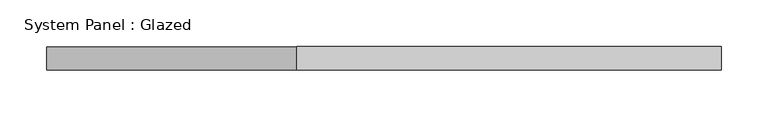
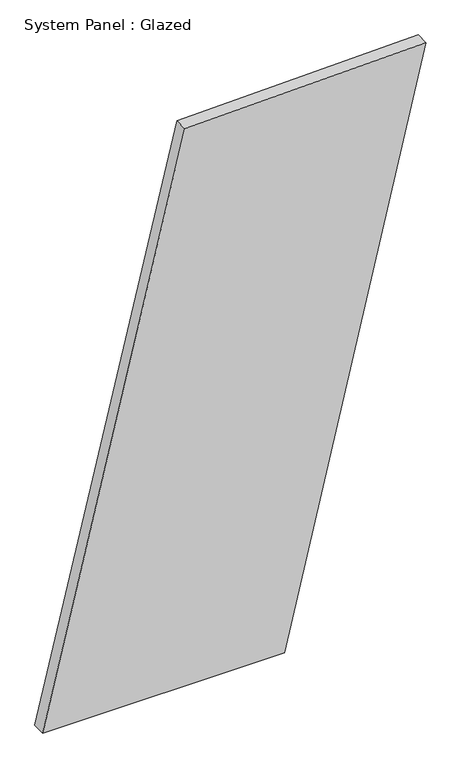
"""IFC4 building model written with IfcOpenShell, lengths in millimetres: plate geometry, System Panel : Glazed."""

from ifc_helpers import new_model, si_unit, frame, origin, place, context, project, spatial, polyline, outline, extrude, source, transform, mapped, element, save


def system_panel_glazed_6108ff41(model_context):
    return source(origin(), model_context, "Body", "SweptSolid", [
        extrude(outline(polyline([(0.0, -359.8580087), (0.0, 94.0247888), (1117.0740547, 359.8580087), (1105.0201602, -93.0004589), (0.0, -359.8580087)])), frame((0.0, -49.5, 0.0), z_axis=(0.0, 1.0, 0.0), x_axis=(0.0, 0.0, 1.0)), (0.0, 0.0, 1.0), 25.0),
    ])


if __name__ == "__main__":
    model = new_model("IFC4")
    model_context = context("Model", 3, world=origin())
    ifc_project = project(units=[si_unit("LENGTHUNIT", "METRE", prefix="MILLI")], contexts=[model_context])
    site = spatial("IfcSite", under=ifc_project)
    building = spatial("IfcBuilding", under=site)
    placement = place(None, origin())
    system_panel_glazed_shape = system_panel_glazed_6108ff41(model_context)
    element("IfcPlate", 1, ObjectType="System Panel : Glazed", at=placement, inside=building, context=model_context, shape_type="MappedRepresentation", body=[
        mapped(system_panel_glazed_shape, transform((0.0, 0.0, 0.0), x_axis=(1.0, 0.0, 0.0), y_axis=(0.0, 1.0, 0.0), z_axis=(0.0, 0.0, 1.0))),
    ])
    save(model, "model.ifc")
